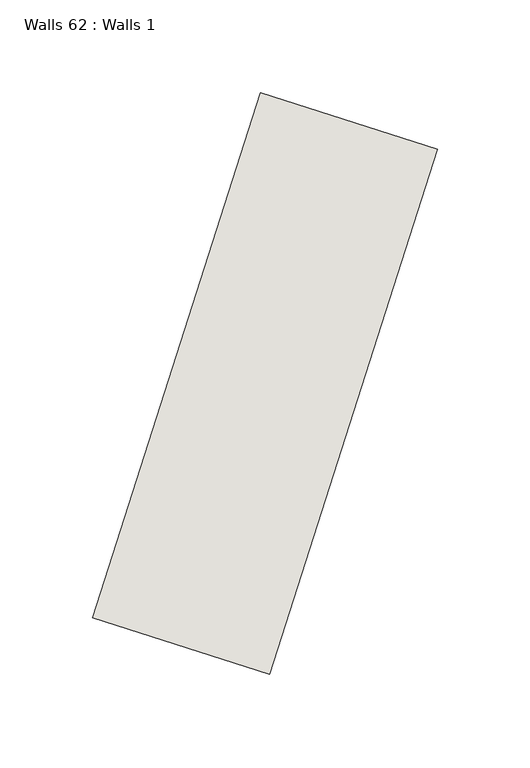
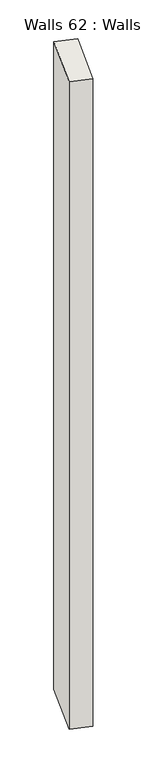
"""IFC4 building model written with IfcOpenShell, lengths in millimetres: wall geometry, Walls 62 : Walls 1."""

from ifc_helpers import new_model, si_unit, origin, origin_with_axes, place, context, project, spatial, polyline, outline, extrude, source, transform, mapped, element, save


def walls_62_walls_1_64a539d8(model_context):
    return source(origin(), model_context, "Body", "SweptSolid", [
        extrude(outline(polyline([(7103.7535614, 1179.723197), (7194.2294336, 1462.3219529), (7289.4675166, 1431.8308469), (7198.9916444, 1149.232091), (7103.7535614, 1179.723197)])), origin_with_axes(), (0.0, 0.0, 1.0), 3268.2448128),
    ])


if __name__ == "__main__":
    model = new_model("IFC4")
    model_context = context("Model", 3, world=origin())
    ifc_project = project(units=[si_unit("LENGTHUNIT", "METRE", prefix="MILLI")], contexts=[model_context])
    site = spatial("IfcSite", under=ifc_project)
    building = spatial("IfcBuilding", under=site)
    placement = place(None, origin())
    walls_62_walls_1_shape = walls_62_walls_1_64a539d8(model_context)
    element("IfcWall", 1, ObjectType="Walls 62 : Walls 1", at=placement, inside=building, context=model_context, shape_type="MappedRepresentation", body=[
        mapped(walls_62_walls_1_shape, transform((0.0, 0.0, 0.0), x_axis=(1.0, 0.0, 0.0), y_axis=(0.0, 1.0, 0.0), z_axis=(0.0, 0.0, 1.0))),
    ])
    save(model, "model.ifc")
